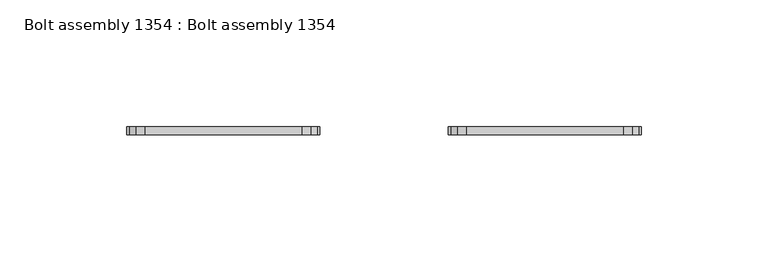
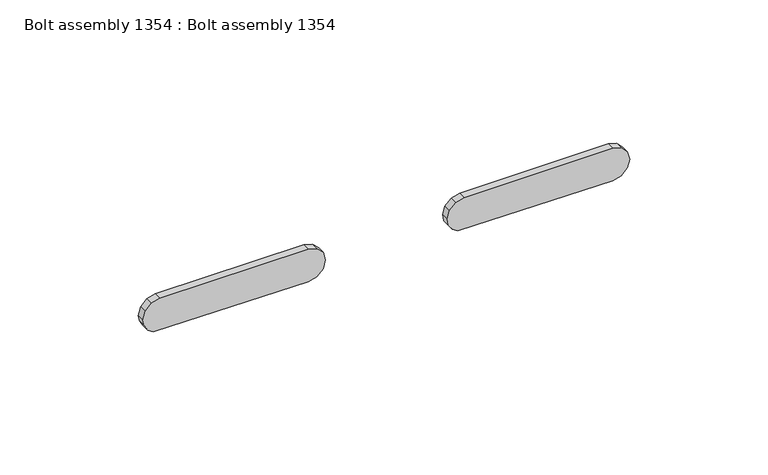
"""IFC4 building model written with IfcOpenShell, lengths in millimetres: proxy geometry, Bolt assembly 1354 : Bolt assembly 1354."""

import ifcopenshell
import ifcopenshell.guid

model = None  # the IFC model being written
_history = None  # IfcOwnerHistory: only IFC2X3 demands one
_inside = {}  # id of a spatial element -> (the spatial element, [elements in it])
_under = {}  # id of a project, library or spatial element -> (it, [spatial elements below it])
_declared = {}  # id of a project -> (the project, [libraries it declares])
_typed = {}  # id of a type object -> (the type object, [elements of that type])
_made_of = {}  # id of a material, layer set ... -> (it, [elements and type objects made of it])


def new_model(schema):
    """Start an empty IFC model of exactly this schema.

    Asked for "IFC4X3", IfcOpenShell would pick the latest addendum, in which some entities
    have other attributes; the version numbers below select the first issue.
    IFC2X3 requires an IfcOwnerHistory on every rooted entity: one is made here for all.
    """
    global model, _history
    if schema == "IFC4X3":
        model = ifcopenshell.file(schema_version=(4, 3, 0, 0))
    else:
        model = ifcopenshell.file(schema=schema)
    _inside.clear()
    _under.clear()
    _declared.clear()
    _typed.clear()
    _made_of.clear()
    _history = None
    if model.schema == "IFC2X3":
        org = make("IfcOrganization", Name="unknown")
        user = make(
            "IfcPersonAndOrganization",
            ThePerson=make("IfcPerson", FamilyName="unknown"),
            TheOrganization=org,
        )
        app = make(
            "IfcApplication",
            ApplicationDeveloper=org,
            Version="unknown",
            ApplicationFullName="unknown",
            ApplicationIdentifier="unknown",
        )
        _history = make(
            "IfcOwnerHistory",
            OwningUser=user,
            OwningApplication=app,
            ChangeAction="ADDED",
            CreationDate=0,
        )
    return model


def make(cls, **values):
    """One entity of the class cls with the attributes given. An attribute that is None is left unset."""
    return model.create_entity(
        cls, **{name: value for name, value in values.items() if value is not None}
    )


def rooted(cls, **values):
    """An entity with a GlobalId (a new one), such as an element, a storey or a relation."""
    return make(cls, GlobalId=ifcopenshell.guid.new(), OwnerHistory=_history, **values)


def si_unit(unit_type, name, prefix=None):
    """IfcSIUnit, for example si_unit("LENGTHUNIT", "METRE", prefix="MILLI")."""
    return make("IfcSIUnit", UnitType=unit_type, Prefix=prefix, Name=name)


def assignment(units):
    """IfcUnitAssignment: the units of a project."""
    return None if units is None else make("IfcUnitAssignment", Units=units)


def point(xyz):
    """IfcCartesianPoint."""
    return None if xyz is None else make("IfcCartesianPoint", Coordinates=xyz)


def direction(xyz):
    """IfcDirection."""
    return None if xyz is None else make("IfcDirection", DirectionRatios=xyz)


def frame(location, z_axis=None, x_axis=None):
    """IfcAxis2Placement3D, a coordinate frame: its origin and axes. An axis left out is left unset."""
    return make(
        "IfcAxis2Placement3D",
        Location=point(location),
        Axis=direction(z_axis),
        RefDirection=direction(x_axis),
    )


def origin():
    """The frame at (0, 0, 0) with its axes left unset."""
    return frame((0.0, 0.0, 0.0))


def place(relative_to, where):
    """IfcLocalPlacement: puts the frame where relative to a parent placement (None: the world)."""
    return make(
        "IfcLocalPlacement", PlacementRelTo=relative_to, RelativePlacement=where
    )


def context(
    kind, dimensions, precision=None, world=None, true_north=None, identifier=None
):
    """IfcGeometricRepresentationContext, for example the 3D "Model" context."""
    return make(
        "IfcGeometricRepresentationContext",
        ContextIdentifier=identifier,
        ContextType=kind,
        CoordinateSpaceDimension=dimensions,
        Precision=precision,
        WorldCoordinateSystem=world,
        TrueNorth=true_north,
    )


def project(units=None, contexts=None):
    """IfcProject with its units and contexts."""
    return rooted(
        "IfcProject",
        Name="project",
        RepresentationContexts=contexts,
        UnitsInContext=assignment(units),
    )


def spatial(cls, under=None, at=None, **own):
    """A site, building, storey or space (cls), placed at a placement, below another one or the project."""
    s = rooted(cls, ObjectPlacement=at, **own)
    if under is not None:
        _under.setdefault(under.id(), (under, []))[1].append(s)
    return s


def polyline(points):
    """IfcPolyline through the points."""
    return make("IfcPolyline", Points=[point(p) for p in points])


def outline(outer, holes=None, kind="AREA"):
    """IfcArbitraryClosedProfileDef: a profile drawn as a closed curve; with holes, ...WithVoids."""
    if holes is None:
        return make("IfcArbitraryClosedProfileDef", ProfileType=kind, OuterCurve=outer)
    return make(
        "IfcArbitraryProfileDefWithVoids",
        ProfileType=kind,
        OuterCurve=outer,
        InnerCurves=holes,
    )


def extrude(swept, where, along, depth):
    """IfcExtrudedAreaSolid: the profile swept, set in the frame where, extruded along a direction by depth."""
    return make(
        "IfcExtrudedAreaSolid",
        SweptArea=swept,
        Position=where,
        ExtrudedDirection=direction(along),
        Depth=depth,
    )


def shape(context_of_items, identifier, shape_type, items):
    """IfcShapeRepresentation: the items that make up one representation, for example the "Body"."""
    return make(
        "IfcShapeRepresentation",
        ContextOfItems=context_of_items,
        RepresentationIdentifier=identifier,
        RepresentationType=shape_type,
        Items=items,
    )


def source(mapping_origin, context_of_items, identifier, shape_type, items):
    """IfcRepresentationMap: a shape defined once, which mapped items show again and again."""
    return make(
        "IfcRepresentationMap",
        MappingOrigin=mapping_origin,
        MappedRepresentation=shape(context_of_items, identifier, shape_type, items),
    )


def transform(
    local_origin,
    x_axis=None,
    y_axis=None,
    z_axis=None,
    scale=None,
    scale2=None,
    scale3=None,
    uniform=True,
):
    """IfcCartesianTransformationOperator3D, or its non-uniform kind. x_axis, y_axis, z_axis: its Axis1, 2, 3."""
    if uniform:
        return make(
            "IfcCartesianTransformationOperator3D",
            Axis1=direction(x_axis),
            Axis2=direction(y_axis),
            LocalOrigin=point(local_origin),
            Scale=scale,
            Axis3=direction(z_axis),
        )
    return make(
        "IfcCartesianTransformationOperator3DnonUniform",
        Axis1=direction(x_axis),
        Axis2=direction(y_axis),
        LocalOrigin=point(local_origin),
        Scale=scale,
        Axis3=direction(z_axis),
        Scale2=scale2,
        Scale3=scale3,
    )


def mapped(mapping_source, mapping_target):
    """IfcMappedItem: shows the shape of a source again, moved by a transform."""
    return make(
        "IfcMappedItem", MappingSource=mapping_source, MappingTarget=mapping_target
    )


def made_of(thing, what):
    """Note that an element or type object is made of a material, layer set ...; save() writes the relation."""
    if what is not None:
        _made_of.setdefault(what.id(), (what, []))[1].append(thing)
    return thing


def element(
    cls,
    number,
    at=None,
    inside=None,
    cuts=None,
    type_object=None,
    material=None,
    context=None,
    identifier="Body",
    shape_type=None,
    held_by="IfcProductDefinitionShape",
    body=None,
    shapes=None,
    **own,
):
    """One element of the class cls, such as IfcWall. Its Tag is "e" and its number.

    at: its placement. inside: the storey or other place that contains it. cuts: it is an
    opening in that element (IfcRelVoidsElement). A single representation is given by context,
    identifier, shape_type and body (its items); several are given by shapes. held_by: the class
    of the entity that holds the representations. save() writes the other relations.
    """
    e = rooted(cls, Tag="e%d" % number, ObjectPlacement=at, **own)
    if body is not None:
        shapes = [shape(context, identifier, shape_type, body)]
    if shapes is not None:
        e.Representation = make(held_by, Representations=shapes)
    if inside is not None:
        _inside.setdefault(inside.id(), (inside, []))[1].append(e)
    if cuts is not None:
        rooted(
            "IfcRelVoidsElement", RelatingBuildingElement=cuts, RelatedOpeningElement=e
        )
    if type_object is not None:
        _typed.setdefault(type_object.id(), (type_object, []))[1].append(e)
    return made_of(e, material)


def aggregate(whole, parts):
    """IfcRelAggregates: a whole, such as a stair, and the parts it consists of."""
    return rooted("IfcRelAggregates", RelatingObject=whole, RelatedObjects=parts)


def save(model, path):
    """Write the relations noted so far, then the file.

    IfcRelAggregates (storeys below a building ...), IfcRelContainedInSpatialStructure (elements
    in a storey), IfcRelDefinesByType, IfcRelAssociatesMaterial and IfcRelDeclares: one each for
    every whole, place, type object, material and project.
    """
    for whole, parts in _under.values():
        aggregate(whole, parts)
    for where, things in _inside.values():
        rooted(
            "IfcRelContainedInSpatialStructure",
            RelatedElements=things,
            RelatingStructure=where,
        )
    for kind, things in _typed.values():
        rooted("IfcRelDefinesByType", RelatedObjects=things, RelatingType=kind)
    for what, things in _made_of.values():
        rooted("IfcRelAssociatesMaterial", RelatedObjects=things, RelatingMaterial=what)
    for by, libraries in _declared.values():
        rooted("IfcRelDeclares", RelatingContext=by, RelatedDefinitions=libraries)
    model.write(path)


def bolt_assembly_1354_bolt_assembly_1354_ef85fecc(model_context):
    return source(origin(), model_context, "Body", "SweptSolid", [
        extrude(outline(polyline([(-75.7592731, 11.6563862), (-78.0772779, 13.2052275), (-79.6261192, 15.5232323), (-80.17, 80.1675053), (-79.2127515, 83.7400053), (-76.5975, 86.3552568), (-73.025, 87.3125052), (-69.4525, 86.3552568), (-66.8372485, 83.7400053), (-65.88, 80.1675053), (-65.88, 18.2575054), (-66.8372485, 14.6850054), (-69.4525, 12.0697539), (-73.025, 11.1125054), (-75.7592731, 11.6563862)])), frame((0.0, 1866.8999939, 0.0), z_axis=(0.0, 1.0, 0.0), x_axis=(0.0, 0.0, 1.0)), (0.0, 0.0, 1.0), 3.275),
        extrude(outline(polyline([(-75.7592731, 138.6563862), (-78.0772779, 140.2052275), (-79.6261192, 142.5232323), (-80.17, 207.1675053), (-79.2127515, 210.7400053), (-76.5975, 213.3552568), (-73.025, 214.3125052), (-69.4525, 213.3552568), (-66.8372485, 210.7400053), (-65.88, 207.1675053), (-65.88, 145.2575054), (-66.8372485, 141.6850054), (-69.4525, 139.0697539), (-73.025, 138.1125054), (-75.7592731, 138.6563862)])), frame((0.0, 1866.8999939, 0.0), z_axis=(0.0, 1.0, 0.0), x_axis=(0.0, 0.0, 1.0)), (0.0, 0.0, 1.0), 3.275),
    ])


if __name__ == "__main__":
    model = new_model("IFC4")
    model_context = context("Model", 3, world=origin())
    ifc_project = project(units=[si_unit("LENGTHUNIT", "METRE", prefix="MILLI")], contexts=[model_context])
    site = spatial("IfcSite", under=ifc_project)
    building = spatial("IfcBuilding", under=site)
    placement = place(None, origin())
    bolt_assembly_1354_bolt_assembly_1354_shape = bolt_assembly_1354_bolt_assembly_1354_ef85fecc(model_context)
    element("IfcBuildingElementProxy", 1, Name="Bolt assembly 1354 : Bolt assembly 1354", ObjectType="Bolt assembly 1354 : Bolt assembly 1354", at=placement, inside=building, context=model_context, shape_type="MappedRepresentation", body=[
        mapped(bolt_assembly_1354_bolt_assembly_1354_shape, transform((0.0, 0.0, 0.0), x_axis=(1.0, 0.0, 0.0), y_axis=(0.0, 1.0, 0.0), z_axis=(0.0, 0.0, 1.0))),
    ])
    save(model, "model.ifc")
